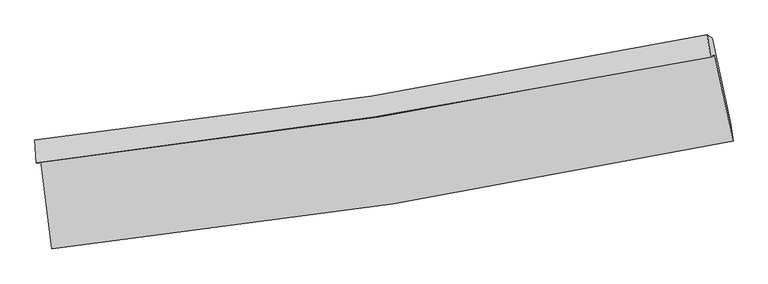
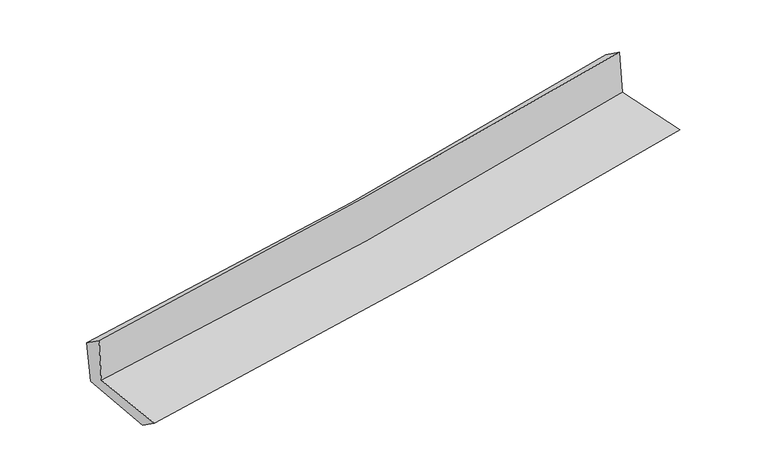
"""IFC4 building model written with IfcOpenShell, lengths in millimetres: proxy geometry."""

from ifc_helpers import new_model, si_unit, frame, origin, place, context, project, spatial, source, transform, mapped, element, save
from ifc_brep_helpers import plane_surface, spline_curve, spline_surface, advanced_brep


def generic_models_3cf2e423(model_context):
    return source(origin(), model_context, "Body", "AdvancedBrep", [
        advanced_brep(
        [(-2572.0072548, -1877.720958, 1668.4894327), (-2488.9987255, -2546.6481586, 1643.0151174), (2654.847621, -1732.5626732, 2105.8506999), (2518.0676346, -1086.9371634, 2113.5277036), (-2604.1670641, -1899.2059728, 2062.2190305), (2484.6692127, -1098.7033883, 2507.9966134), (-2614.6918674, -1723.6157899, 1941.2883982), (2459.6624256, -929.5247484, 2390.8839181), (-2581.5019482, -1728.7050816, 1572.236173), (2497.9464387, -954.1493896, 2027.0315904), (-2497.9986853, -2387.9528455, 1527.9176755), (2634.560228, -1585.8513706, 1988.9156726)],
        [
            (0, 1),
            (1, 2, spline_curve(3, [(-2488.9987255, -2546.6481586, 1643.0151174), (-1627.305523105, -2455.113208463, 1734.537202996), (-768.492684653, -2341.650311311, 1818.817301802), (946.141431727, -2070.43059754, 1973.142764843), (1801.944042246, -1912.531666342, 2043.141193251), (2654.847621, -1732.5626732, 2105.8506999)], [4, 2, 4], [0.0, 8.51881176227801, 17.065184131106104])),
            (2, 3),
            (3, 0, spline_curve(3, [(2518.0676346, -1086.9371634, 2113.5277036), (1675.424484669, -1264.043280476, 2038.19391446), (829.239243268, -1418.565000472, 1963.381442086), (-867.475194824, -1682.014171957, 1815.038708932), (-1717.981583283, -1791.087049794, 1741.505090618), (-2572.0072548, -1877.720958, 1668.4894327)], [4, 2, 4], [0.0, 8.546372368828093, 17.065184131106104])),
            (4, 0),
            (3, 5),
            (5, 4, spline_curve(3, [(2484.6692127, -1098.7033883, 2507.9966134), (1639.773914801, -1267.50642022, 2443.275772143), (792.567969747, -1418.695820231, 2373.69939533), (-903.725668104, -1685.416596093, 2225.075601807), (-1752.798481855, -1801.061391298, 2146.059450739), (-2604.1670641, -1899.2059728, 2062.2190305)], [4, 2, 4], [0.0, 8.498283224232088, 16.969160921278338])),
            (6, 4),
            (5, 7),
            (7, 6, spline_curve(3, [(2459.6624256, -929.5247484, 2390.8839181), (1619.215142634, -1105.438529848, 2317.134947603), (775.440346495, -1259.641540249, 2242.732606868), (-916.032511306, -1524.198752473, 2092.863226516), (-1763.709146051, -1634.692756174, 2017.400393936), (-2614.6918674, -1723.6157899, 1941.2883982)], [4, 2, 4], [0.0, 8.48621622827667, 16.945065843390132])),
            (8, 6),
            (7, 9),
            (9, 8, spline_curve(3, [(2497.9464387, -954.1493896, 2027.0315904), (1657.322303906, -1133.530194943, 1954.04162431), (813.033344427, -1287.830708951, 1879.583447179), (-880.139716777, -1545.854441069, 1727.975520791), (-1729.000219362, -1649.739157497, 1650.835225194), (-2581.5019482, -1728.7050816, 1572.236173)], [4, 2, 4], [0.0, 8.477076468604654, 16.92681579822642])),
            (10, 8),
            (9, 11),
            (11, 10, spline_curve(3, [(2634.560228, -1585.8513706, 1988.9156726), (1784.312118838, -1763.423718148, 1915.34469691), (930.778758858, -1919.12436601, 1840.077931712), (-780.095366842, -2186.350686449, 1686.401013121), (-1637.414977969, -2298.017196876, 1608.001779266), (-2497.9986853, -2387.9528455, 1527.9176755)], [4, 2, 4], [0.0, 8.525986634268742, 17.02447840253616])),
            (1, 10),
            (11, 2),
        ],
        [
            spline_surface(3, 3, [[(-2572.0072548, -1877.720958, 1668.4894327), (-1717.981583366, -1791.087049918, 1741.505090614), (-867.475194904, -1682.014171891, 1815.038708813), (829.239243348, -1418.565000538, 1963.381442206), (1675.424484694, -1264.043280388, 2038.193914324), (2518.0676346, -1086.9371634, 2113.5277036)], [(-2544.33774501, -2100.696691532, 1659.99799427), (-1687.756229917, -2012.429102746, 1739.182461438), (-834.481024828, -1901.892884982, 1816.298239862), (868.206639487, -1635.853532896, 1966.635216386), (1717.597670548, -1480.20607573, 2039.843007349), (2563.660963412, -1302.145666672, 2110.968702381)], [(-2516.66823529, -2323.672425068, 1651.50655583), (-1657.530876537, -2233.771155576, 1736.859832252), (-801.48685476, -2121.77159811, 1817.557770881), (907.174035619, -1853.142065292, 1969.888990535), (1759.770856367, -1696.368871056, 2041.492100332), (2609.254292188, -1517.354169928, 2108.409701119)], [(-2488.9987255, -2546.6481586, 1643.0151174), (-1627.305523087, -2455.113208404, 1734.537203077), (-768.492684684, -2341.650311201, 1818.81730193), (946.141431759, -2070.43059765, 1973.142764715), (1801.944042221, -1912.531666398, 2043.141193357), (2654.847621, -1732.5626732, 2105.8506999)]], [4, 4], [4, 2, 4], [0.0, 2.180454464670624], [0.0, 8.51881176227801, 17.065184131106104]),
            spline_surface(3, 3, [[(-2604.1670641, -1899.2059728, 2062.2190305), (-1752.798481826, -1801.061391191, 2146.059450705), (-903.725668072, -1685.416596181, 2225.075601726), (792.567969715, -1418.695820143, 2373.699395411), (1639.773914917, -1267.506420329, 2443.275772054), (2484.6692127, -1098.7033883, 2507.9966134)], [(-2593.447127671, -1892.044301203, 1930.975831212), (-1741.192849011, -1797.736610769, 2011.20799732), (-891.642176992, -1684.282454761, 2088.396637428), (804.791727617, -1418.652213619, 2236.926744349), (1651.657438178, -1266.352040344, 2308.24848613), (2495.802020002, -1094.781313329, 2376.506976786)], [(-2582.727191229, -1884.882629597, 1799.732631988), (-1729.587216182, -1794.411830339, 1876.356543999), (-879.558685985, -1683.148313311, 1951.717673111), (817.015485445, -1418.608607062, 2100.154093268), (1663.540961433, -1265.197660373, 2173.221200248), (2506.934827298, -1090.859238371, 2245.017340214)], [(-2572.0072548, -1877.720958, 1668.4894327), (-1717.981583366, -1791.087049918, 1741.505090614), (-867.475194904, -1682.014171891, 1815.038708813), (829.239243348, -1418.565000538, 1963.381442206), (1675.424484694, -1264.043280388, 2038.193914324), (2518.0676346, -1086.9371634, 2113.5277036)]], [4, 4], [4, 2, 4], [0.0, 1.351046534314814], [0.0, 8.47087769704625, 16.969160921278338]),
            spline_surface(3, 3, [[(-2614.6918674, -1723.6157899, 1941.2883982), (-1763.709145985, -1634.692756265, 2017.400393924), (-916.032511282, -1524.198752603, 2092.863226425), (775.44034647, -1259.641540118, 2242.732606959), (1619.215142728, -1105.43852996, 2317.134947737), (2459.6624256, -929.5247484, 2390.8839181)], [(-2611.18359963, -1782.145850872, 1981.598608989), (-1760.072257929, -1690.148967912, 2060.286746207), (-911.930230217, -1577.938033808, 2136.934018188), (781.149554214, -1312.659633472, 2286.388203106), (1626.068066764, -1159.46116009, 2359.181889173), (2467.998021273, -985.917628374, 2429.921483197)], [(-2607.67533187, -1840.675911828, 2021.908819711), (-1756.435369883, -1745.605179544, 2103.173098422), (-907.827949137, -1631.677314976, 2181.004809963), (786.858761972, -1365.677726789, 2330.043799264), (1632.92099088, -1213.483790199, 2401.228830618), (2476.333617027, -1042.310508326, 2468.959048303)], [(-2604.1670641, -1899.2059728, 2062.2190305), (-1752.798481826, -1801.061391191, 2146.059450705), (-903.725668072, -1685.416596181, 2225.075601726), (792.567969715, -1418.695820143, 2373.699395411), (1639.773914917, -1267.506420329, 2443.275772054), (2484.6692127, -1098.7033883, 2507.9966134)]], [4, 4], [4, 2, 4], [0.0, 0.6817089201061526], [0.0, 8.458849615113463, 16.945065843390132]),
            spline_surface(3, 3, [[(-2581.5019482, -1728.7050816, 1572.236173), (-1729.000219463, -1649.739157636, 1650.835225249), (-880.139716704, -1545.854441056, 1727.975520656), (813.033344354, -1287.830708964, 1879.583447314), (1657.322303917, -1133.530194884, 1954.041624384), (2497.9464387, -954.1493896, 2027.0315904)], [(-2592.565254611, -1727.008651011, 1695.253581386), (-1740.569861648, -1644.72369049, 1773.023614793), (-892.103981563, -1538.635878239, 1849.604755917), (800.502345059, -1278.43431935, 2000.633167201), (1644.619916873, -1124.166306549, 2075.072732169), (2485.185101019, -945.94117584, 2148.315699634)], [(-2603.628560989, -1725.312220489, 1818.270989814), (-1752.1395038, -1639.708223411, 1895.21200438), (-904.068246422, -1531.417315419, 1971.233991164), (787.971345765, -1269.037929732, 2121.682887073), (1631.917529772, -1114.802418295, 2196.103839952), (2472.423763281, -937.73296216, 2269.599808866)], [(-2614.6918674, -1723.6157899, 1941.2883982), (-1763.709145985, -1634.692756265, 2017.400393924), (-916.032511282, -1524.198752603, 2092.863226425), (775.44034647, -1259.641540118, 2242.732606959), (1619.215142728, -1105.43852996, 2317.134947737), (2459.6624256, -929.5247484, 2390.8839181)]], [4, 4], [4, 2, 4], [0.0, 1.2031304412650021], [0.0, 8.449739329621767, 16.92681579822642]),
            spline_surface(3, 3, [[(-2497.9986853, -2387.9528455, 1527.9176755), (-1637.414978087, -2298.017197004, 1608.001779309), (-780.095366836, -2186.350686579, 1686.40101309), (930.778758852, -1919.12436588, 1840.077931743), (1784.312118707, -1763.423718032, 1915.344697027), (2634.560228, -1585.8513706, 1988.9156726)], [(-2525.833106271, -2168.20359087, 1542.690508005), (-1667.943391883, -2081.924517218, 1622.279594627), (-813.443483467, -1972.851938069, 1700.259182271), (891.530287344, -1708.693146906, 1853.246436925), (1741.982180431, -1553.459210329, 1928.243672829), (2589.022298221, -1375.284043614, 2001.620978549)], [(-2553.667527229, -1948.45433623, 1557.463340495), (-1698.471805666, -1865.831837422, 1636.557409931), (-846.791600072, -1759.353189566, 1714.117351476), (852.281815862, -1498.261927939, 1866.414942132), (1699.652242193, -1343.494702586, 1941.142648582), (2543.484368479, -1164.716716586, 2014.326284451)], [(-2581.5019482, -1728.7050816, 1572.236173), (-1729.000219463, -1649.739157636, 1650.835225249), (-880.139716704, -1545.854441056, 1727.975520656), (813.033344354, -1287.830708964, 1879.583447314), (1657.322303917, -1133.530194884, 1954.041624384), (2497.9464387, -954.1493896, 2027.0315904)]], [4, 4], [4, 2, 4], [0.0, 2.1207808513784165], [0.0, 8.498491768267419, 17.02447840253616]),
            spline_surface(3, 3, [[(-2488.9987255, -2546.6481586, 1643.0151174), (-1627.305523087, -2455.113208404, 1734.537203077), (-768.492684684, -2341.650311201, 1818.81730193), (946.141431759, -2070.43059765, 1973.142764715), (1801.944042221, -1912.531666398, 2043.141193357), (2654.847621, -1732.5626732, 2105.8506999)], [(-2491.998712106, -2493.749720912, 1604.649303438), (-1630.675341427, -2402.747871283, 1692.358728493), (-772.360245415, -2289.883769651, 1774.678538974), (941.020540776, -2019.995187051, 1928.787820381), (1796.066734389, -1862.829016948, 2000.542361233), (2648.085156673, -1683.658905672, 2066.872357453)], [(-2494.998698694, -2440.851283188, 1566.283489462), (-1634.045159747, -2350.382534125, 1650.180253894), (-776.227806105, -2238.117228129, 1730.539776046), (935.899649834, -1969.55977648, 1884.432876076), (1790.189426538, -1813.126367482, 1957.94352915), (2641.322692327, -1634.755138128, 2027.894015047)], [(-2497.9986853, -2387.9528455, 1527.9176755), (-1637.414978087, -2298.017197004, 1608.001779309), (-780.095366836, -2186.350686579, 1686.40101309), (930.778758852, -1919.12436588, 1840.077931743), (1784.312118707, -1763.423718032, 1915.344697027), (2634.560228, -1585.8513706, 1988.9156726)]], [4, 4], [4, 2, 4], [0.0, 0.666762238549137], [0.0, 8.555560838709834, 17.138801176940373]),
            plane_surface(frame((2541.6255934, -1231.2881222, 2189.0343663), z_axis=(0.9746483578359275, 0.20543153315070464, 0.08864797659890997), x_axis=(-0.10440468941603996, 0.06715408914895013, 0.9922650800761433))),
            plane_surface(frame((-2559.8942575, -2027.3081344, 1735.8609712), z_axis=(-0.9890006262867665, -0.1194026113719523, -0.08729706525389257), x_axis=(-0.12305963155122615, 0.9916804389348581, 0.03776551491034746))),
        ],
        [
            (0, [[1, 2, 3, 4]]),
            (1, [[5, -4, 6, 7]]),
            (2, [[8, -7, 9, 10]]),
            (3, [[11, -10, 12, 13]]),
            (4, [[14, -13, 15, 16]]),
            (5, [[17, -16, 18, -2]]),
            (6, [[-12, -9, -6, -3, -18, -15]]),
            (7, [[-1, -5, -8, -11, -14, -17]]),
        ],
    ),
    ])


if __name__ == "__main__":
    model = new_model("IFC4")
    model_context = context("Model", 3, world=origin())
    ifc_project = project(units=[si_unit("LENGTHUNIT", "METRE", prefix="MILLI")], contexts=[model_context])
    site = spatial("IfcSite", under=ifc_project)
    building = spatial("IfcBuilding", under=site)
    placement = place(None, origin())
    generic_models_shape = generic_models_3cf2e423(model_context)
    element("IfcBuildingElementProxy", 1, Name="Generic Models", at=placement, inside=building, context=model_context, shape_type="MappedRepresentation", body=[
        mapped(generic_models_shape, transform((0.0, 0.0, 0.0), x_axis=(1.0, 0.0, 0.0), y_axis=(0.0, 1.0, 0.0), z_axis=(0.0, 0.0, 1.0))),
    ])
    save(model, "model.ifc")
